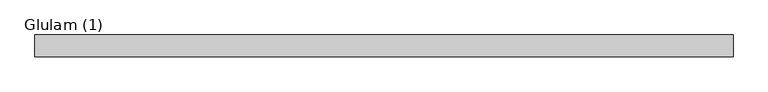
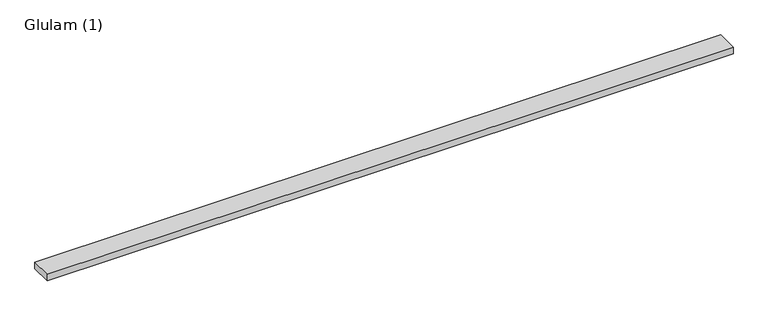
"""IFC4 building model written with IfcOpenShell, lengths in millimetres: beam geometry, Glulam (1)."""

from ifc_helpers import new_model, si_unit, frame, origin, place, context, project, spatial, polyline, outline, extrude, source, transform, mapped, element, save


def glulam_1_173c1fde(model_context):
    return source(origin(), model_context, "Body", "SweptSolid", [
        extrude(outline(polyline([(2237.5, 70.0), (2237.5, -70.0), (-2237.5, -70.0), (-2237.5, 70.0), (2237.5, 70.0)])), frame((0.0, 0.0, -22.5), z_axis=(0.0, 0.0, 1.0), x_axis=(1.0, 0.0, 0.0)), (0.0, 0.0, 1.0), 45.0),
    ])


if __name__ == "__main__":
    model = new_model("IFC4")
    model_context = context("Model", 3, world=origin())
    ifc_project = project(units=[si_unit("LENGTHUNIT", "METRE", prefix="MILLI")], contexts=[model_context])
    site = spatial("IfcSite", under=ifc_project)
    building = spatial("IfcBuilding", under=site)
    placement = place(None, origin())
    glulam_1_shape = glulam_1_173c1fde(model_context)
    element("IfcBeam", 1, ObjectType="Glulam (1)", at=placement, inside=building, context=model_context, shape_type="MappedRepresentation", body=[
        mapped(glulam_1_shape, transform((0.0, 0.0, 0.0), x_axis=(1.0, 0.0, 0.0), y_axis=(0.0, 1.0, 0.0), z_axis=(0.0, 0.0, 1.0))),
    ])
    save(model, "model.ifc")
